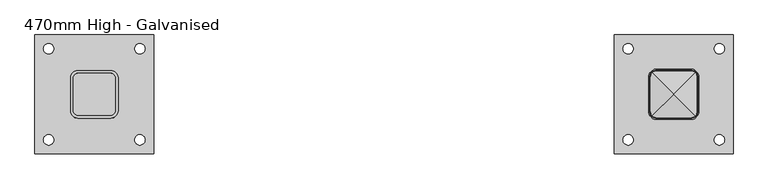
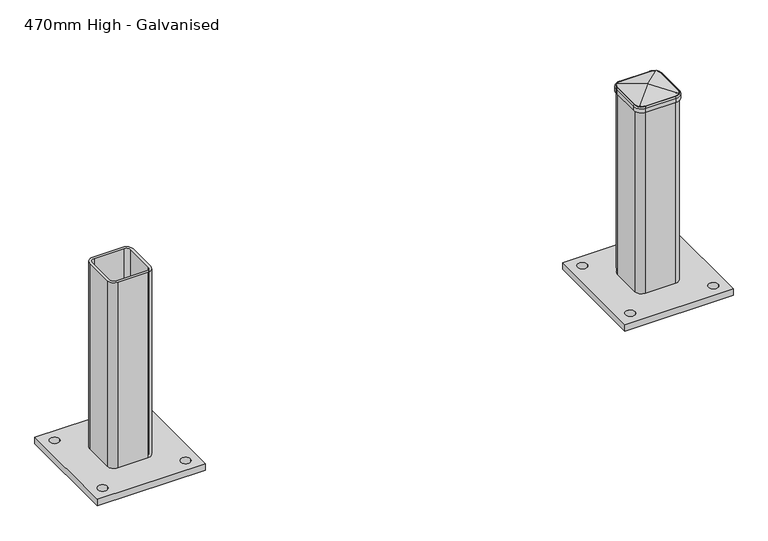
"""IFC4 building model written with IfcOpenShell, lengths in millimetres: proxy geometry, 470mm High - Galvanised."""

from ifc_helpers import new_model, si_unit, point, frame, origin, place, context, project, spatial, polyline, circle_curve, ellipse_curve, trimmed, source, transform, mapped, element, save
from ifc_brep_helpers import plane_surface, cylinder_surface, revolved_surface, advanced_brep


def proxy_470mm_high_galvanised_2e362d54(model_context):
    return source(origin(), model_context, "Body", "AdvancedBrep", [
        advanced_brep(
        [(1345.0, -125.0, 16.0), (1345.0, 125.0, 16.0), (1095.0, 125.0, 16.0), (1095.0, -125.0, 16.0), (1113.0, 96.0, 16.0), (1135.0, 96.0, 16.0), (1305.0, 96.0, 16.0), (1327.0, 96.0, 16.0), (1113.0, -96.0, 16.0), (1135.0, -96.0, 16.0), (1305.0, -96.0, 16.0), (1327.0, -96.0, 16.0), (1270.0, 35.0, 16.0), (1270.0, -35.0, 16.0), (1255.0, -50.0, 16.0), (1185.0, -50.0, 16.0), (1170.0, -35.0, 16.0), (1170.0, 35.0, 16.0), (1185.0, 50.0, 16.0), (1255.0, 50.0, 16.0), (1264.0, 35.0, 16.0), (1255.0, 44.0, 16.0), (1185.0, 44.0, 16.0), (1176.0, 35.0, 16.0), (1176.0, -35.0, 16.0), (1185.0, -44.0, 16.0), (1255.0, -44.0, 16.0), (1264.0, -35.0, 16.0), (1345.0, -125.0, 0.0), (1095.0, -125.0, 0.0), (1095.0, 125.0, 0.0), (1345.0, 125.0, 0.0), (1113.0, 96.0, 0.0), (1135.0, 96.0, 0.0), (1305.0, 96.0, 0.0), (1327.0, 96.0, 0.0), (1113.0, -96.0, 0.0), (1135.0, -96.0, 0.0), (1305.0, -96.0, 0.0), (1327.0, -96.0, 0.0), (1270.0, -35.0, 470.0), (1270.0, 35.0, 470.0), (1255.0, 50.0, 470.0), (1185.0, 50.0, 470.0), (1170.0, 35.0, 470.0), (1170.0, -35.0, 470.0), (1185.0, -50.0, 470.0), (1255.0, -50.0, 470.0), (1255.0, 44.0, 470.0), (1264.0, 35.0, 470.0), (1264.0, -35.0, 470.0), (1255.0, -44.0, 470.0), (1185.0, -44.0, 470.0), (1176.0, -35.0, 470.0), (1176.0, 35.0, 470.0), (1185.0, 44.0, 470.0)],
        [
            (0, 1),
            (1, 2),
            (2, 3),
            (3, 0),
            (4, 5, circle_curve(frame((1124.0, 96.0, 16.0), z_axis=(0.0, 0.0, -1.0), x_axis=(1.0, 0.0, 0.0)), 11.0)),
            (5, 4, circle_curve(frame((1124.0, 96.0, 16.0), z_axis=(0.0, 0.0, -1.0), x_axis=(1.0, 0.0, 0.0)), 11.0)),
            (6, 7, circle_curve(frame((1316.0, 96.0, 16.0), z_axis=(0.0, 0.0, -1.0), x_axis=(1.0, 0.0, 0.0)), 11.0)),
            (7, 6, circle_curve(frame((1316.0, 96.0, 16.0), z_axis=(0.0, 0.0, -1.0), x_axis=(1.0, 0.0, 0.0)), 11.0)),
            (8, 9, circle_curve(frame((1124.0, -96.0, 16.0), z_axis=(0.0, 0.0, -1.0), x_axis=(1.0, 0.0, 0.0)), 11.0)),
            (9, 8, circle_curve(frame((1124.0, -96.0, 16.0), z_axis=(0.0, 0.0, -1.0), x_axis=(1.0, 0.0, 0.0)), 11.0)),
            (10, 11, circle_curve(frame((1316.0, -96.0, 16.0), z_axis=(0.0, 0.0, -1.0), x_axis=(1.0, 0.0, 0.0)), 11.0)),
            (11, 10, circle_curve(frame((1316.0, -96.0, 16.0), z_axis=(0.0, 0.0, -1.0), x_axis=(1.0, 0.0, 0.0)), 11.0)),
            (12, 13),
            (13, 14, circle_curve(frame((1255.0, -35.0, 16.0), z_axis=(0.0, 0.0, -1.0), x_axis=(-1.0, 0.0, 0.0)), 15.0)),
            (14, 15),
            (15, 16, circle_curve(frame((1185.0, -35.0, 16.0), z_axis=(0.0, 0.0, -1.0), x_axis=(-1.0, 0.0, 0.0)), 15.0)),
            (16, 17),
            (17, 18, circle_curve(frame((1185.0, 35.0, 16.0), z_axis=(0.0, 0.0, -1.0), x_axis=(-1.0, 0.0, 0.0)), 15.0)),
            (18, 19),
            (19, 12, circle_curve(frame((1255.0, 35.0, 16.0), z_axis=(0.0, 0.0, -1.0), x_axis=(-1.0, 0.0, 0.0)), 15.0)),
            (20, 21, circle_curve(frame((1255.0, 35.0, 16.0), z_axis=(0.0, 0.0, 1.0), x_axis=(-1.0, 0.0, 0.0)), 9.0)),
            (21, 22),
            (22, 23, circle_curve(frame((1185.0, 35.0, 16.0), z_axis=(0.0, 0.0, 1.0), x_axis=(-1.0, 0.0, 0.0)), 9.0)),
            (23, 24),
            (24, 25, circle_curve(frame((1185.0, -35.0, 16.0), z_axis=(0.0, 0.0, 1.0), x_axis=(-1.0, 0.0, 0.0)), 9.0)),
            (25, 26),
            (26, 27, circle_curve(frame((1255.0, -35.0, 16.0), z_axis=(0.0, 0.0, 1.0), x_axis=(-1.0, 0.0, 0.0)), 9.0)),
            (27, 20),
            (28, 29),
            (29, 30),
            (30, 31),
            (31, 28),
            (32, 33, circle_curve(frame((1124.0, 96.0, 0.0), z_axis=(0.0, 0.0, 1.0), x_axis=(1.0, 0.0, 0.0)), 11.0)),
            (33, 32, circle_curve(frame((1124.0, 96.0, 0.0), z_axis=(0.0, 0.0, 1.0), x_axis=(1.0, 0.0, 0.0)), 11.0)),
            (34, 35, circle_curve(frame((1316.0, 96.0, 0.0), z_axis=(0.0, 0.0, 1.0), x_axis=(1.0, 0.0, 0.0)), 11.0)),
            (35, 34, circle_curve(frame((1316.0, 96.0, 0.0), z_axis=(0.0, 0.0, 1.0), x_axis=(1.0, 0.0, 0.0)), 11.0)),
            (36, 37, circle_curve(frame((1124.0, -96.0, 0.0), z_axis=(0.0, 0.0, 1.0), x_axis=(1.0, 0.0, 0.0)), 11.0)),
            (37, 36, circle_curve(frame((1124.0, -96.0, 0.0), z_axis=(0.0, 0.0, 1.0), x_axis=(1.0, 0.0, 0.0)), 11.0)),
            (38, 39, circle_curve(frame((1316.0, -96.0, 0.0), z_axis=(0.0, 0.0, 1.0), x_axis=(1.0, 0.0, 0.0)), 11.0)),
            (39, 38, circle_curve(frame((1316.0, -96.0, 0.0), z_axis=(0.0, 0.0, 1.0), x_axis=(1.0, 0.0, 0.0)), 11.0)),
            (0, 28),
            (31, 1),
            (30, 2),
            (29, 3),
            (4, 32),
            (33, 5),
            (6, 34),
            (35, 7),
            (8, 36),
            (37, 9),
            (10, 38),
            (39, 11),
            (40, 41),
            (41, 42, circle_curve(frame((1255.0, 35.0, 470.0), z_axis=(0.0, 0.0, 1.0), x_axis=(-1.0, 0.0, 0.0)), 15.0)),
            (42, 43),
            (43, 44, circle_curve(frame((1185.0, 35.0, 470.0), z_axis=(0.0, 0.0, 1.0), x_axis=(-1.0, 0.0, 0.0)), 15.0)),
            (44, 45),
            (45, 46, circle_curve(frame((1185.0, -35.0, 470.0), z_axis=(0.0, 0.0, 1.0), x_axis=(-1.0, 0.0, 0.0)), 15.0)),
            (46, 47),
            (47, 40, circle_curve(frame((1255.0, -35.0, 470.0), z_axis=(0.0, 0.0, 1.0), x_axis=(-1.0, 0.0, 0.0)), 15.0)),
            (48, 49, circle_curve(frame((1255.0, 35.0, 470.0), z_axis=(0.0, 0.0, -1.0), x_axis=(-1.0, 0.0, 0.0)), 9.0)),
            (49, 50),
            (50, 51, circle_curve(frame((1255.0, -35.0, 470.0), z_axis=(0.0, 0.0, -1.0), x_axis=(-1.0, 0.0, 0.0)), 9.0)),
            (51, 52),
            (52, 53, circle_curve(frame((1185.0, -35.0, 470.0), z_axis=(0.0, 0.0, -1.0), x_axis=(-1.0, 0.0, 0.0)), 9.0)),
            (53, 54),
            (54, 55, circle_curve(frame((1185.0, 35.0, 470.0), z_axis=(0.0, 0.0, -1.0), x_axis=(-1.0, 0.0, 0.0)), 9.0)),
            (55, 48),
            (40, 13),
            (12, 41),
            (19, 42),
            (18, 43),
            (17, 44),
            (16, 45),
            (15, 46),
            (14, 47),
            (48, 21),
            (20, 49),
            (27, 50),
            (26, 51),
            (25, 52),
            (24, 53),
            (23, 54),
            (22, 55),
        ],
        [
            plane_surface(frame((1345.0, 314.3329913, 16.0), z_axis=(0.0, 0.0, 1.0), x_axis=(0.0, 1.0, 0.0))),
            plane_surface(frame((1345.0, 314.3329913, 0.0), z_axis=(0.0, 0.0, -1.0), x_axis=(0.0, -1.0, 0.0))),
            plane_surface(frame((1345.0, -125.0, 16.0), z_axis=(1.0, 0.0, 0.0), x_axis=(0.0, 0.0, -1.0))),
            plane_surface(frame((1345.0, 125.0, 16.0), z_axis=(0.0, 1.0, 0.0), x_axis=(0.0, 0.0, -1.0))),
            plane_surface(frame((1095.0, 125.0, 16.0), z_axis=(-1.0, 0.0, 0.0), x_axis=(0.0, 0.0, -1.0))),
            plane_surface(frame((1095.0, -125.0, 16.0), z_axis=(0.0, -1.0, 0.0), x_axis=(0.0, 0.0, -1.0))),
            revolved_surface(polyline([(1135.0, 96.0, 0.0), (1135.0, 96.0, 16.0)]), (1124.0, 96.0, 0.0), (0.0, 0.0, -1.0)),
            revolved_surface(polyline([(1327.0, 96.0, 0.0), (1327.0, 96.0, 16.0)]), (1316.0, 96.0, 0.0), (0.0, 0.0, -1.0)),
            revolved_surface(polyline([(1135.0, -96.0, 0.0), (1135.0, -96.0, 16.0)]), (1124.0, -96.0, 0.0), (0.0, 0.0, -1.0)),
            revolved_surface(polyline([(1327.0, -96.0, 0.0), (1327.0, -96.0, 16.0)]), (1316.0, -96.0, 0.0), (0.0, 0.0, -1.0)),
            plane_surface(frame((1270.0, 314.3329913, 470.0), z_axis=(0.0, 0.0, 1.0), x_axis=(0.0, 1.0, 0.0))),
            plane_surface(frame((1270.0, -35.0, 470.0), z_axis=(1.0, 0.0, 0.0), x_axis=(0.0, 0.0, -1.0))),
            cylinder_surface(frame((1255.0, 35.0, 16.0), z_axis=(0.0, 0.0, 1.0), x_axis=(-1.0, 0.0, 0.0)), 15.0),
            plane_surface(frame((1255.0, 50.0, 470.0), z_axis=(0.0, 1.0, 0.0), x_axis=(0.0, 0.0, -1.0))),
            cylinder_surface(frame((1185.0, 35.0, 16.0), z_axis=(0.0, 0.0, 1.0), x_axis=(-1.0, 0.0, 0.0)), 15.0),
            plane_surface(frame((1170.0, 35.0, 470.0), z_axis=(-1.0, 0.0, 0.0), x_axis=(0.0, 0.0, -1.0))),
            cylinder_surface(frame((1185.0, -35.0, 16.0), z_axis=(0.0, 0.0, 1.0), x_axis=(-1.0, 0.0, 0.0)), 15.0),
            plane_surface(frame((1185.0, -50.0, 470.0), z_axis=(0.0, -1.0, 0.0), x_axis=(0.0, 0.0, -1.0))),
            cylinder_surface(frame((1255.0, -35.0, 16.0), z_axis=(0.0, 0.0, 1.0), x_axis=(-1.0, 0.0, 0.0)), 15.0),
            revolved_surface(polyline([(1246.0, 35.0, 16.0), (1246.0, 35.0, 470.0)]), (1255.0, 35.0, 16.0), (0.0, 0.0, -1.0)),
            plane_surface(frame((1264.0, 35.0, 470.0), z_axis=(-1.0, 0.0, 0.0), x_axis=(0.0, 0.0, -1.0))),
            revolved_surface(polyline([(1246.0, -35.0, 16.0), (1246.0, -35.0, 470.0)]), (1255.0, -35.0, 16.0), (0.0, 0.0, -1.0)),
            plane_surface(frame((1255.0, -44.0, 470.0), z_axis=(0.0, 1.0, 0.0), x_axis=(0.0, 0.0, -1.0))),
            revolved_surface(polyline([(1176.0, -35.0, 16.0), (1176.0, -35.0, 470.0)]), (1185.0, -35.0, 16.0), (0.0, 0.0, -1.0)),
            plane_surface(frame((1176.0, -35.0, 470.0), z_axis=(1.0, 0.0, 0.0), x_axis=(0.0, 0.0, -1.0))),
            revolved_surface(polyline([(1176.0, 35.0, 16.0), (1176.0, 35.0, 470.0)]), (1185.0, 35.0, 16.0), (0.0, 0.0, -1.0)),
            plane_surface(frame((1185.0, 44.0, 470.0), z_axis=(0.0, -1.0, 0.0), x_axis=(0.0, 0.0, -1.0))),
        ],
        [
            (0, [[1, 2, 3, 4], [5, 6], [7, 8], [9, 10], [11, 12], [13, 14, 15, 16, 17, 18, 19, 20]]),
            (0, [[21, 22, 23, 24, 25, 26, 27, 28]]),
            (1, [[29, 30, 31, 32], [33, 34], [35, 36], [37, 38], [39, 40]]),
            (2, [[-1, 41, -32, 42]]),
            (3, [[-2, -42, -31, 43]]),
            (4, [[-3, -43, -30, 44]]),
            (5, [[-4, -44, -29, -41]]),
            (6, [[-5, 45, -34, 46]]),
            (6, [[-6, -46, -33, -45]]),
            (7, [[-7, 47, -36, 48]]),
            (7, [[-8, -48, -35, -47]]),
            (8, [[-9, 49, -38, 50]]),
            (8, [[-10, -50, -37, -49]]),
            (9, [[-11, 51, -40, 52]]),
            (9, [[-12, -52, -39, -51]]),
            (10, [[53, 54, 55, 56, 57, 58, 59, 60], [61, 62, 63, 64, 65, 66, 67, 68]]),
            (11, [[-53, 69, -13, 70]]),
            (12, [[-54, -70, -20, 71]]),
            (13, [[-55, -71, -19, 72]]),
            (14, [[-56, -72, -18, 73]]),
            (15, [[-57, -73, -17, 74]]),
            (16, [[-58, -74, -16, 75]]),
            (17, [[-59, -75, -15, 76]]),
            (18, [[-60, -76, -14, -69]]),
            (19, [[-61, 77, -21, 78]]),
            (20, [[-62, -78, -28, 79]]),
            (21, [[-63, -79, -27, 80]]),
            (22, [[-64, -80, -26, 81]]),
            (23, [[-65, -81, -25, 82]]),
            (24, [[-66, -82, -24, 83]]),
            (25, [[-67, -83, -23, 84]]),
            (26, [[-68, -84, -22, -77]]),
        ],
    ),
        advanced_brep(
        [(125.0, 125.0, 16.0), (-125.0, 125.0, 16.0), (-125.0, -125.0, 16.0), (125.0, -125.0, 16.0), (-107.0, 96.0, 16.0), (-85.0, 96.0, 16.0), (-107.0, -96.0, 16.0), (-85.0, -96.0, 16.0), (85.0, 96.0, 16.0), (107.0, 96.0, 16.0), (85.0, -96.0, 16.0), (107.0, -96.0, 16.0), (-35.0, 50.0, 16.0), (35.0, 50.0, 16.0), (50.0, 35.0, 16.0), (50.0, -35.0, 16.0), (35.0, -50.0, 16.0), (-35.0, -50.0, 16.0), (-50.0, -35.0, 16.0), (-50.0, 35.0, 16.0), (44.0, 35.0, 16.0), (35.0, 44.0, 16.0), (-35.0, 44.0, 16.0), (-44.0, 35.0, 16.0), (-44.0, -35.0, 16.0), (-35.0, -44.0, 16.0), (35.0, -44.0, 16.0), (44.0, -35.0, 16.0), (125.0, 125.0, 0.0), (125.0, -125.0, 0.0), (-125.0, -125.0, 0.0), (-125.0, 125.0, 0.0), (-107.0, 96.0, 0.0), (-85.0, 96.0, 0.0), (-107.0, -96.0, 0.0), (-85.0, -96.0, 0.0), (85.0, 96.0, 0.0), (107.0, 96.0, 0.0), (85.0, -96.0, 0.0), (107.0, -96.0, 0.0), (35.0, 50.0, 470.0), (-35.0, 50.0, 470.0), (-50.0, 35.0, 470.0), (-50.0, -35.0, 470.0), (-35.0, -50.0, 470.0), (35.0, -50.0, 470.0), (50.0, -35.0, 470.0), (50.0, 35.0, 470.0), (35.0, 44.0, 470.0), (44.0, 35.0, 470.0), (44.0, -35.0, 470.0), (35.0, -44.0, 470.0), (-35.0, -44.0, 470.0), (-44.0, -35.0, 470.0), (-44.0, 35.0, 470.0), (-35.0, 44.0, 470.0)],
        [
            (0, 1),
            (1, 2),
            (2, 3),
            (3, 0),
            (4, 5, circle_curve(frame((-96.0, 96.0, 16.0), z_axis=(0.0, 0.0, -1.0), x_axis=(1.0, 0.0, 0.0)), 11.0)),
            (5, 4, circle_curve(frame((-96.0, 96.0, 16.0), z_axis=(0.0, 0.0, -1.0), x_axis=(1.0, 0.0, 0.0)), 11.0)),
            (6, 7, circle_curve(frame((-96.0, -96.0, 16.0), z_axis=(0.0, 0.0, -1.0), x_axis=(1.0, 0.0, 0.0)), 11.0)),
            (7, 6, circle_curve(frame((-96.0, -96.0, 16.0), z_axis=(0.0, 0.0, -1.0), x_axis=(1.0, 0.0, 0.0)), 11.0)),
            (8, 9, circle_curve(frame((96.0, 96.0, 16.0), z_axis=(0.0, 0.0, -1.0), x_axis=(1.0, 0.0, 0.0)), 11.0)),
            (9, 8, circle_curve(frame((96.0, 96.0, 16.0), z_axis=(0.0, 0.0, -1.0), x_axis=(1.0, 0.0, 0.0)), 11.0)),
            (10, 11, circle_curve(frame((96.0, -96.0, 16.0), z_axis=(0.0, 0.0, -1.0), x_axis=(1.0, 0.0, 0.0)), 11.0)),
            (11, 10, circle_curve(frame((96.0, -96.0, 16.0), z_axis=(0.0, 0.0, -1.0), x_axis=(1.0, 0.0, 0.0)), 11.0)),
            (12, 13),
            (13, 14, circle_curve(frame((35.0, 35.0, 16.0), z_axis=(0.0, 0.0, -1.0), x_axis=(-1.0, 0.0, 0.0)), 15.0)),
            (14, 15),
            (15, 16, circle_curve(frame((35.0, -35.0, 16.0), z_axis=(0.0, 0.0, -1.0), x_axis=(-1.0, 0.0, 0.0)), 15.0)),
            (16, 17),
            (17, 18, circle_curve(frame((-35.0, -35.0, 16.0), z_axis=(0.0, 0.0, -1.0), x_axis=(-1.0, 0.0, 0.0)), 15.0)),
            (18, 19),
            (19, 12, circle_curve(frame((-35.0, 35.0, 16.0), z_axis=(0.0, 0.0, -1.0), x_axis=(-1.0, 0.0, 0.0)), 15.0)),
            (20, 21, circle_curve(frame((35.0, 35.0, 16.0), z_axis=(0.0, 0.0, 1.0), x_axis=(-1.0, 0.0, 0.0)), 9.0)),
            (21, 22),
            (22, 23, circle_curve(frame((-35.0, 35.0, 16.0), z_axis=(0.0, 0.0, 1.0), x_axis=(-1.0, 0.0, 0.0)), 9.0)),
            (23, 24),
            (24, 25, circle_curve(frame((-35.0, -35.0, 16.0), z_axis=(0.0, 0.0, 1.0), x_axis=(-1.0, 0.0, 0.0)), 9.0)),
            (25, 26),
            (26, 27, circle_curve(frame((35.0, -35.0, 16.0), z_axis=(0.0, 0.0, 1.0), x_axis=(-1.0, 0.0, 0.0)), 9.0)),
            (27, 20),
            (28, 29),
            (29, 30),
            (30, 31),
            (31, 28),
            (32, 33, circle_curve(frame((-96.0, 96.0, 0.0), z_axis=(0.0, 0.0, 1.0), x_axis=(1.0, 0.0, 0.0)), 11.0)),
            (33, 32, circle_curve(frame((-96.0, 96.0, 0.0), z_axis=(0.0, 0.0, 1.0), x_axis=(1.0, 0.0, 0.0)), 11.0)),
            (34, 35, circle_curve(frame((-96.0, -96.0, 0.0), z_axis=(0.0, 0.0, 1.0), x_axis=(1.0, 0.0, 0.0)), 11.0)),
            (35, 34, circle_curve(frame((-96.0, -96.0, 0.0), z_axis=(0.0, 0.0, 1.0), x_axis=(1.0, 0.0, 0.0)), 11.0)),
            (36, 37, circle_curve(frame((96.0, 96.0, 0.0), z_axis=(0.0, 0.0, 1.0), x_axis=(1.0, 0.0, 0.0)), 11.0)),
            (37, 36, circle_curve(frame((96.0, 96.0, 0.0), z_axis=(0.0, 0.0, 1.0), x_axis=(1.0, 0.0, 0.0)), 11.0)),
            (38, 39, circle_curve(frame((96.0, -96.0, 0.0), z_axis=(0.0, 0.0, 1.0), x_axis=(1.0, 0.0, 0.0)), 11.0)),
            (39, 38, circle_curve(frame((96.0, -96.0, 0.0), z_axis=(0.0, 0.0, 1.0), x_axis=(1.0, 0.0, 0.0)), 11.0)),
            (0, 28),
            (31, 1),
            (30, 2),
            (29, 3),
            (4, 32),
            (33, 5),
            (6, 34),
            (35, 7),
            (8, 36),
            (37, 9),
            (10, 38),
            (39, 11),
            (40, 41),
            (41, 42, circle_curve(frame((-35.0, 35.0, 470.0), z_axis=(0.0, 0.0, 1.0), x_axis=(-1.0, 0.0, 0.0)), 15.0)),
            (42, 43),
            (43, 44, circle_curve(frame((-35.0, -35.0, 470.0), z_axis=(0.0, 0.0, 1.0), x_axis=(-1.0, 0.0, 0.0)), 15.0)),
            (44, 45),
            (45, 46, circle_curve(frame((35.0, -35.0, 470.0), z_axis=(0.0, 0.0, 1.0), x_axis=(-1.0, 0.0, 0.0)), 15.0)),
            (46, 47),
            (47, 40, circle_curve(frame((35.0, 35.0, 470.0), z_axis=(0.0, 0.0, 1.0), x_axis=(-1.0, 0.0, 0.0)), 15.0)),
            (48, 49, circle_curve(frame((35.0, 35.0, 470.0), z_axis=(0.0, 0.0, -1.0), x_axis=(-1.0, 0.0, 0.0)), 9.0)),
            (49, 50),
            (50, 51, circle_curve(frame((35.0, -35.0, 470.0), z_axis=(0.0, 0.0, -1.0), x_axis=(-1.0, 0.0, 0.0)), 9.0)),
            (51, 52),
            (52, 53, circle_curve(frame((-35.0, -35.0, 470.0), z_axis=(0.0, 0.0, -1.0), x_axis=(-1.0, 0.0, 0.0)), 9.0)),
            (53, 54),
            (54, 55, circle_curve(frame((-35.0, 35.0, 470.0), z_axis=(0.0, 0.0, -1.0), x_axis=(-1.0, 0.0, 0.0)), 9.0)),
            (55, 48),
            (40, 13),
            (12, 41),
            (19, 42),
            (18, 43),
            (17, 44),
            (16, 45),
            (15, 46),
            (14, 47),
            (48, 21),
            (20, 49),
            (27, 50),
            (26, 51),
            (25, 52),
            (24, 53),
            (23, 54),
            (22, 55),
        ],
        [
            plane_surface(frame((-312.0572043, 125.0, 16.0), z_axis=(0.0, 0.0, 1.0), x_axis=(-1.0, 0.0, 0.0))),
            plane_surface(frame((-312.0572043, 125.0, 0.0), z_axis=(0.0, 0.0, -1.0), x_axis=(1.0, 0.0, 0.0))),
            plane_surface(frame((125.0, 125.0, 16.0), z_axis=(0.0, 1.0, 0.0), x_axis=(0.0, 0.0, -1.0))),
            plane_surface(frame((-125.0, 125.0, 16.0), z_axis=(-1.0, 0.0, 0.0), x_axis=(0.0, 0.0, -1.0))),
            plane_surface(frame((-125.0, -125.0, 16.0), z_axis=(0.0, -1.0, 0.0), x_axis=(0.0, 0.0, -1.0))),
            plane_surface(frame((125.0, -125.0, 16.0), z_axis=(1.0, 0.0, 0.0), x_axis=(0.0, 0.0, -1.0))),
            revolved_surface(polyline([(-85.0, 96.0, 0.0), (-85.0, 96.0, 16.0)]), (-96.0, 96.0, 0.0), (0.0, 0.0, -1.0)),
            revolved_surface(polyline([(-85.0, -96.0, 0.0), (-85.0, -96.0, 16.0)]), (-96.0, -96.0, 0.0), (0.0, 0.0, -1.0)),
            revolved_surface(polyline([(107.0, 96.0, 0.0), (107.0, 96.0, 16.0)]), (96.0, 96.0, 0.0), (0.0, 0.0, -1.0)),
            revolved_surface(polyline([(107.0, -96.0, 0.0), (107.0, -96.0, 16.0)]), (96.0, -96.0, 0.0), (0.0, 0.0, -1.0)),
            plane_surface(frame((-312.0572043, 50.0, 470.0), z_axis=(0.0, 0.0, 1.0), x_axis=(-1.0, 0.0, 0.0))),
            plane_surface(frame((35.0, 50.0, 470.0), z_axis=(0.0, 1.0, 0.0), x_axis=(0.0, 0.0, -1.0))),
            cylinder_surface(frame((-35.0, 35.0, 16.0), z_axis=(0.0, 0.0, 1.0), x_axis=(-1.0, 0.0, 0.0)), 15.0),
            plane_surface(frame((-50.0, 35.0, 470.0), z_axis=(-1.0, 0.0, 0.0), x_axis=(0.0, 0.0, -1.0))),
            cylinder_surface(frame((-35.0, -35.0, 16.0), z_axis=(0.0, 0.0, 1.0), x_axis=(-1.0, 0.0, 0.0)), 15.0),
            plane_surface(frame((-35.0, -50.0, 470.0), z_axis=(0.0, -1.0, 0.0), x_axis=(0.0, 0.0, -1.0))),
            cylinder_surface(frame((35.0, -35.0, 16.0), z_axis=(0.0, 0.0, 1.0), x_axis=(-1.0, 0.0, 0.0)), 15.0),
            plane_surface(frame((50.0, -35.0, 470.0), z_axis=(1.0, 0.0, 0.0), x_axis=(0.0, 0.0, -1.0))),
            cylinder_surface(frame((35.0, 35.0, 16.0), z_axis=(0.0, 0.0, 1.0), x_axis=(-1.0, 0.0, 0.0)), 15.0),
            revolved_surface(polyline([(26.0, 35.0, 16.0), (26.0, 35.0, 470.0)]), (35.0, 35.0, 16.0), (0.0, 0.0, -1.0)),
            plane_surface(frame((44.0, 35.0, 470.0), z_axis=(-1.0, 0.0, 0.0), x_axis=(0.0, 0.0, -1.0))),
            revolved_surface(polyline([(26.0, -35.0, 16.0), (26.0, -35.0, 470.0)]), (35.0, -35.0, 16.0), (0.0, 0.0, -1.0)),
            plane_surface(frame((35.0, -44.0, 470.0), z_axis=(0.0, 1.0, 0.0), x_axis=(0.0, 0.0, -1.0))),
            revolved_surface(polyline([(-44.0, -35.0, 16.0), (-44.0, -35.0, 470.0)]), (-35.0, -35.0, 16.0), (0.0, 0.0, -1.0)),
            plane_surface(frame((-44.0, -35.0, 470.0), z_axis=(1.0, 0.0, 0.0), x_axis=(0.0, 0.0, -1.0))),
            revolved_surface(polyline([(-44.0, 35.0, 16.0), (-44.0, 35.0, 470.0)]), (-35.0, 35.0, 16.0), (0.0, 0.0, -1.0)),
            plane_surface(frame((-35.0, 44.0, 470.0), z_axis=(0.0, -1.0, 0.0), x_axis=(0.0, 0.0, -1.0))),
        ],
        [
            (0, [[1, 2, 3, 4], [5, 6], [7, 8], [9, 10], [11, 12], [13, 14, 15, 16, 17, 18, 19, 20]]),
            (0, [[21, 22, 23, 24, 25, 26, 27, 28]]),
            (1, [[29, 30, 31, 32], [33, 34], [35, 36], [37, 38], [39, 40]]),
            (2, [[-1, 41, -32, 42]]),
            (3, [[-2, -42, -31, 43]]),
            (4, [[-3, -43, -30, 44]]),
            (5, [[-4, -44, -29, -41]]),
            (6, [[-5, 45, -34, 46]]),
            (6, [[-6, -46, -33, -45]]),
            (7, [[-7, 47, -36, 48]]),
            (7, [[-8, -48, -35, -47]]),
            (8, [[-9, 49, -38, 50]]),
            (8, [[-10, -50, -37, -49]]),
            (9, [[-11, 51, -40, 52]]),
            (9, [[-12, -52, -39, -51]]),
            (10, [[53, 54, 55, 56, 57, 58, 59, 60], [61, 62, 63, 64, 65, 66, 67, 68]]),
            (11, [[-53, 69, -13, 70]]),
            (12, [[-54, -70, -20, 71]]),
            (13, [[-55, -71, -19, 72]]),
            (14, [[-56, -72, -18, 73]]),
            (15, [[-57, -73, -17, 74]]),
            (16, [[-58, -74, -16, 75]]),
            (17, [[-59, -75, -15, 76]]),
            (18, [[-60, -76, -14, -69]]),
            (19, [[-61, 77, -21, 78]]),
            (20, [[-62, -78, -28, 79]]),
            (21, [[-63, -79, -27, 80]]),
            (22, [[-64, -80, -26, 81]]),
            (23, [[-65, -81, -25, 82]]),
            (24, [[-66, -82, -24, 83]]),
            (25, [[-67, -83, -23, 84]]),
            (26, [[-68, -84, -22, -77]]),
        ],
    ),
        advanced_brep(
        [(1255.0, -50.0, 473.0849886), (1270.0, -35.0, 473.0849886), (1270.0, -35.0, 460.0), (1255.0, -50.0, 460.0), (1255.0, -50.771088, 472.899696), (1270.771088, -35.0, 472.899696), (1255.0, -53.0701411, 469.9827329), (1273.0701411, -35.0, 469.9827329), (1255.0, -53.0701411, 460.0), (1273.0701411, -35.0, 460.0), (1185.0, -50.0, 460.0), (1185.0, -50.0, 473.0849886), (1185.0, -50.771088, 472.899696), (1185.0, -53.0701411, 469.9827329), (1185.0, -53.0701411, 460.0), (1170.0, -35.0, 473.0849886), (1170.0, -35.0, 460.0), (1169.228912, -35.0, 472.899696), (1166.9298589, -35.0, 469.9827329), (1166.9298589, -35.0, 460.0), (1170.0, 35.0, 460.0), (1170.0, 35.0, 473.0849886), (1169.228912, 35.0, 472.899696), (1166.9298589, 35.0, 469.9827329), (1166.9298589, 35.0, 460.0), (1185.0, 50.0, 473.0849886), (1185.0, 50.0, 460.0), (1185.0, 50.771088, 472.899696), (1185.0, 53.0701411, 469.9827329), (1185.0, 53.0701411, 460.0), (1255.0, 50.0, 460.0), (1255.0, 50.0, 473.0849886), (1255.0, 50.771088, 472.899696), (1255.0, 53.0701411, 469.9827329), (1255.0, 53.0701411, 460.0), (1270.0, 35.0, 473.0849886), (1270.0, 35.0, 460.0), (1270.771088, 35.0, 472.899696), (1273.0701411, 35.0, 469.9827329), (1273.0701411, 35.0, 460.0)],
        [
            (0, 1, circle_curve(frame((1255.0, -35.0, 473.0849886), z_axis=(0.0, 0.0, 1.0), x_axis=(1.0, 0.0, 0.0)), 15.0)),
            (1, 2),
            (2, 3, circle_curve(frame((1255.0, -35.0, 460.0), z_axis=(0.0, 0.0, -1.0), x_axis=(1.0, 0.0, 0.0)), 15.0)),
            (3, 0),
            (4, 5, circle_curve(frame((1255.0, -35.0, 472.899696), z_axis=(0.0, 0.0, 1.0), x_axis=(1.0, 0.0, 0.0)), 15.771088)),
            (5, 1),
            (0, 4),
            (6, 7, circle_curve(frame((1255.0, -35.0, 469.9827329), z_axis=(0.0, 0.0, 1.0), x_axis=(1.0, 0.0, 0.0)), 18.0701411)),
            (7, 5, circle_curve(frame((1270.0701411, -35.0, 469.9827329), z_axis=(0.0, -1.0, 0.0), x_axis=(-1.0, 0.0, 0.0)), 3.0)),
            (4, 6, circle_curve(frame((1255.0, -50.0701411, 469.9827329), z_axis=(1.0, 0.0, 0.0), x_axis=(0.0, 1.0, 0.0)), 3.0)),
            (8, 9, circle_curve(frame((1255.0, -35.0, 460.0), z_axis=(0.0, 0.0, 1.0), x_axis=(1.0, 0.0, 0.0)), 18.0701411)),
            (9, 7),
            (6, 8),
            (3, 10),
            (10, 11),
            (11, 0),
            (11, 12),
            (12, 4),
            (12, 13, circle_curve(frame((1185.0, -50.0701411, 469.9827329), z_axis=(1.0, 0.0, 0.0), x_axis=(0.0, 1.0, 0.0)), 3.0)),
            (13, 6),
            (13, 14),
            (14, 8),
            (15, 11, circle_curve(frame((1185.0, -35.0, 473.0849886), z_axis=(0.0, 0.0, 1.0), x_axis=(0.0, -1.0, 0.0)), 15.0)),
            (10, 16, circle_curve(frame((1185.0, -35.0, 460.0), z_axis=(0.0, 0.0, -1.0), x_axis=(0.0, -1.0, 0.0)), 15.0)),
            (16, 15),
            (17, 12, circle_curve(frame((1185.0, -35.0, 472.899696), z_axis=(0.0, 0.0, 1.0), x_axis=(0.0, -1.0, 0.0)), 15.771088)),
            (15, 17),
            (18, 13, circle_curve(frame((1185.0, -35.0, 469.9827329), z_axis=(0.0, 0.0, 1.0), x_axis=(0.0, -1.0, 0.0)), 18.0701411)),
            (17, 18, circle_curve(frame((1169.9298589, -35.0, 469.9827329), z_axis=(0.0, -1.0, 0.0), x_axis=(1.0, 0.0, 0.0)), 3.0)),
            (19, 14, circle_curve(frame((1185.0, -35.0, 460.0), z_axis=(0.0, 0.0, 1.0), x_axis=(0.0, -1.0, 0.0)), 18.0701411)),
            (18, 19),
            (16, 20),
            (20, 21),
            (21, 15),
            (21, 22),
            (22, 17),
            (22, 23, circle_curve(frame((1169.9298589, 35.0, 469.9827329), z_axis=(0.0, -1.0, 0.0), x_axis=(1.0, 0.0, 0.0)), 3.0)),
            (23, 18),
            (23, 24),
            (24, 19),
            (25, 21, circle_curve(frame((1185.0, 35.0, 473.0849886), z_axis=(0.0, 0.0, 1.0), x_axis=(-1.0, 0.0, 0.0)), 15.0)),
            (20, 26, circle_curve(frame((1185.0, 35.0, 460.0), z_axis=(0.0, 0.0, -1.0), x_axis=(-1.0, 0.0, 0.0)), 15.0)),
            (26, 25),
            (27, 22, circle_curve(frame((1185.0, 35.0, 472.899696), z_axis=(0.0, 0.0, 1.0), x_axis=(-1.0, 0.0, 0.0)), 15.771088)),
            (25, 27),
            (28, 23, circle_curve(frame((1185.0, 35.0, 469.9827329), z_axis=(0.0, 0.0, 1.0), x_axis=(-1.0, 0.0, 0.0)), 18.0701411)),
            (27, 28, circle_curve(frame((1185.0, 50.0701411, 469.9827329), z_axis=(-1.0, 0.0, 0.0), x_axis=(0.0, -1.0, 0.0)), 3.0)),
            (29, 24, circle_curve(frame((1185.0, 35.0, 460.0), z_axis=(0.0, 0.0, 1.0), x_axis=(-1.0, 0.0, 0.0)), 18.0701411)),
            (28, 29),
            (26, 30),
            (30, 31),
            (31, 25),
            (31, 32),
            (32, 27),
            (32, 33, circle_curve(frame((1255.0, 50.0701411, 469.9827329), z_axis=(-1.0, 0.0, 0.0), x_axis=(0.0, -1.0, 0.0)), 3.0)),
            (33, 28),
            (33, 34),
            (34, 29),
            (35, 31, circle_curve(frame((1255.0, 35.0, 473.0849886), z_axis=(0.0, 0.0, 1.0), x_axis=(0.0, 1.0, 0.0)), 15.0)),
            (30, 36, circle_curve(frame((1255.0, 35.0, 460.0), z_axis=(0.0, 0.0, -1.0), x_axis=(0.0, 1.0, 0.0)), 15.0)),
            (36, 35),
            (37, 32, circle_curve(frame((1255.0, 35.0, 472.899696), z_axis=(0.0, 0.0, 1.0), x_axis=(0.0, 1.0, 0.0)), 15.771088)),
            (35, 37),
            (38, 33, circle_curve(frame((1255.0, 35.0, 469.9827329), z_axis=(0.0, 0.0, 1.0), x_axis=(0.0, 1.0, 0.0)), 18.0701411)),
            (37, 38, circle_curve(frame((1270.0701411, 35.0, 469.9827329), z_axis=(0.0, 1.0, 0.0), x_axis=(-1.0, 0.0, 0.0)), 3.0)),
            (39, 34, circle_curve(frame((1255.0, 35.0, 460.0), z_axis=(0.0, 0.0, 1.0), x_axis=(0.0, 1.0, 0.0)), 18.0701411)),
            (38, 39),
            (39, 9),
            (2, 36),
            (1, 35),
            (5, 37),
            (7, 38),
        ],
        [
            revolved_surface(polyline([(1270.0, -35.0, 460.0), (1270.0, -35.0, 473.0849886)]), (1255.0, -35.0, 470.0), (0.0, 0.0, -1.0)),
            revolved_surface(polyline([(1270.0, -35.0, 473.0849886), (1270.771088, -35.0, 472.899696)]), (1255.0, -35.0, 470.0), (0.0, 0.0, -1.0)),
            revolved_surface(trimmed(ellipse_curve(frame((1270.0701411, -35.0, 469.9827329), z_axis=(0.0, 1.0, 0.0), x_axis=(-1.0, 0.0, 0.0)), 3.0, 3.0), [point((1270.771088, -35.0, 472.899696))], [point((1273.0701411, -35.0, 469.9827329))], True, "CARTESIAN"), (1255.0, -35.0, 470.0), (0.0, 0.0, -1.0)),
            cylinder_surface(frame((1255.0, -35.0, 470.0), z_axis=(0.0, 0.0, -1.0), x_axis=(1.0, 0.0, 0.0)), 18.0701411),
            plane_surface(frame((1255.0, -50.0, 460.0), z_axis=(0.0, 1.0, 0.0), x_axis=(-1.0, 0.0, 0.0))),
            plane_surface(frame((1255.0, -50.0, 473.0849886), z_axis=(0.0, -0.23364896259536563, 0.9723210181201009), x_axis=(-1.0, 0.0, 0.0))),
            cylinder_surface(frame((1255.0, -50.0701411, 469.9827329), z_axis=(1.0, 0.0, 0.0), x_axis=(0.0, 1.0, 0.0)), 3.0),
            plane_surface(frame((1255.0, -53.0701411, 469.9827329), z_axis=(0.0, -1.0, 0.0), x_axis=(-1.0, 0.0, 0.0))),
            revolved_surface(polyline([(1185.0, -50.0, 460.0), (1185.0, -50.0, 473.0849886)]), (1185.0, -35.0, 470.0), (0.0, 0.0, -1.0)),
            revolved_surface(polyline([(1185.0, -50.0, 473.0849886), (1185.0, -50.771088, 472.899696)]), (1185.0, -35.0, 470.0), (0.0, 0.0, -1.0)),
            revolved_surface(trimmed(ellipse_curve(frame((1185.0, -50.0701411, 469.9827329), z_axis=(1.0, 0.0, 0.0), x_axis=(0.0, 1.0, 0.0)), 3.0, 3.0), [point((1185.0, -50.771088, 472.899696))], [point((1185.0, -53.0701411, 469.9827329))], True, "CARTESIAN"), (1185.0, -35.0, 470.0), (0.0, 0.0, -1.0)),
            cylinder_surface(frame((1185.0, -35.0, 470.0), z_axis=(0.0, 0.0, -1.0), x_axis=(0.0, -1.0, 0.0)), 18.0701411),
            plane_surface(frame((1170.0, -35.0, 460.0), z_axis=(1.0, 0.0, 0.0), x_axis=(0.0, 1.0, 0.0))),
            plane_surface(frame((1170.0, -35.0, 473.0849886), z_axis=(-0.23364896259536252, 0.0, 0.9723210181201016), x_axis=(0.0, 1.0, 0.0))),
            cylinder_surface(frame((1169.9298589, -35.0, 469.9827329), z_axis=(0.0, -1.0, 0.0), x_axis=(1.0, 0.0, 0.0)), 3.0),
            plane_surface(frame((1166.9298589, -35.0, 469.9827329), z_axis=(-1.0, 0.0, 0.0), x_axis=(0.0, 1.0, 0.0))),
            revolved_surface(polyline([(1170.0, 35.0, 460.0), (1170.0, 35.0, 473.0849886)]), (1185.0, 35.0, 470.0), (0.0, 0.0, -1.0)),
            revolved_surface(polyline([(1170.0, 35.0, 473.0849886), (1169.228912, 35.0, 472.899696)]), (1185.0, 35.0, 470.0), (0.0, 0.0, -1.0)),
            revolved_surface(trimmed(ellipse_curve(frame((1169.9298589, 35.0, 469.9827329), z_axis=(0.0, -1.0, 0.0), x_axis=(1.0, 0.0, 0.0)), 3.0, 3.0), [point((1169.228912, 35.0, 472.899696))], [point((1166.9298589, 35.0, 469.9827329))], True, "CARTESIAN"), (1185.0, 35.0, 470.0), (0.0, 0.0, -1.0)),
            cylinder_surface(frame((1185.0, 35.0, 470.0), z_axis=(0.0, 0.0, -1.0), x_axis=(-1.0, 0.0, 0.0)), 18.0701411),
            plane_surface(frame((1185.0, 50.0, 460.0), z_axis=(0.0, -1.0, 0.0), x_axis=(1.0, 0.0, 0.0))),
            plane_surface(frame((1185.0, 50.0, 473.0849886), z_axis=(0.0, 0.23364896259536563, 0.9723210181201009), x_axis=(1.0, 0.0, 0.0))),
            cylinder_surface(frame((1185.0, 50.0701411, 469.9827329), z_axis=(-1.0, 0.0, 0.0), x_axis=(0.0, -1.0, 0.0)), 3.0),
            plane_surface(frame((1185.0, 53.0701411, 469.9827329), z_axis=(0.0, 1.0, 0.0), x_axis=(1.0, 0.0, 0.0))),
            revolved_surface(polyline([(1255.0, 50.0, 460.0), (1255.0, 50.0, 473.0849886)]), (1255.0, 35.0, 470.0), (0.0, 0.0, -1.0)),
            revolved_surface(polyline([(1255.0, 50.0, 473.0849886), (1255.0, 50.771088, 472.899696)]), (1255.0, 35.0, 470.0), (0.0, 0.0, -1.0)),
            revolved_surface(trimmed(ellipse_curve(frame((1255.0, 50.0701411, 469.9827329), z_axis=(-1.0, 0.0, 0.0), x_axis=(0.0, -1.0, 0.0)), 3.0, 3.0), [point((1255.0, 50.771088, 472.899696))], [point((1255.0, 53.0701411, 469.9827329))], True, "CARTESIAN"), (1255.0, 35.0, 470.0), (0.0, 0.0, -1.0)),
            cylinder_surface(frame((1255.0, 35.0, 470.0), z_axis=(0.0, 0.0, -1.0), x_axis=(0.0, 1.0, 0.0)), 18.0701411),
            plane_surface(frame((1273.0701411, 35.0, 460.0), z_axis=(0.0, 0.0, -1.0), x_axis=(0.0, -1.0, 0.0))),
            plane_surface(frame((1270.0, 35.0, 460.0), z_axis=(-1.0, 0.0, 0.0), x_axis=(0.0, -1.0, 0.0))),
            plane_surface(frame((1270.0, 35.0, 473.0849886), z_axis=(0.23364896259536874, 0.0, 0.9723210181201001), x_axis=(0.0, -1.0, 0.0))),
            cylinder_surface(frame((1270.0701411, 35.0, 469.9827329), z_axis=(0.0, 1.0, 0.0), x_axis=(-1.0, 0.0, 0.0)), 3.0),
            plane_surface(frame((1273.0701411, 35.0, 469.9827329), z_axis=(1.0, 0.0, 0.0), x_axis=(0.0, -1.0, 0.0))),
        ],
        [
            (0, [[1, 2, 3, 4]]),
            (1, [[5, 6, -1, 7]]),
            (2, [[8, 9, -5, 10]]),
            (3, [[11, 12, -8, 13]]),
            (4, [[-4, 14, 15, 16]]),
            (5, [[-7, -16, 17, 18]]),
            (6, [[-10, -18, 19, 20]]),
            (7, [[-13, -20, 21, 22]]),
            (8, [[23, -15, 24, 25]]),
            (9, [[26, -17, -23, 27]]),
            (10, [[28, -19, -26, 29]]),
            (11, [[30, -21, -28, 31]]),
            (12, [[-25, 32, 33, 34]]),
            (13, [[-27, -34, 35, 36]]),
            (14, [[-29, -36, 37, 38]]),
            (15, [[-31, -38, 39, 40]]),
            (16, [[41, -33, 42, 43]]),
            (17, [[44, -35, -41, 45]]),
            (18, [[46, -37, -44, 47]]),
            (19, [[48, -39, -46, 49]]),
            (20, [[-43, 50, 51, 52]]),
            (21, [[-45, -52, 53, 54]]),
            (22, [[-47, -54, 55, 56]]),
            (23, [[-49, -56, 57, 58]]),
            (24, [[59, -51, 60, 61]]),
            (25, [[62, -53, -59, 63]]),
            (26, [[64, -55, -62, 65]]),
            (27, [[66, -57, -64, 67]]),
            (28, [[-58, -66, 68, -11, -22, -30, -40, -48], [69, -60, -50, -42, -32, -24, -14, -3]]),
            (29, [[-61, -69, -2, 70]]),
            (30, [[-63, -70, -6, 71]]),
            (31, [[-65, -71, -9, 72]]),
            (32, [[-67, -72, -12, -68]]),
        ],
    ),
        advanced_brep(
        [(1255.0, 50.0, 470.0), (1270.0, 35.0, 470.0), (1270.0, -35.0, 470.0), (1255.0, -50.0, 470.0), (1185.0, -50.0, 470.0), (1170.0, -35.0, 470.0), (1170.0, 35.0, 470.0), (1185.0, 50.0, 470.0), (1185.0, 50.0, 473.0271175), (1255.0, 50.0, 473.0271175), (1170.0, 35.0, 473.0767498), (1174.2998764, 45.5122478, 474.1107196), (1170.0, -35.0, 473.0767498), (1185.0, -50.0, 473.001729), (1174.2525077, -45.4638143, 474.0993291), (1255.0, -50.0, 473.001729), (1270.0, -35.0, 473.0849886), (1265.7629015, -45.4479639, 474.1031643), (1270.0, 35.0, 473.0849886), (1265.7156042, 45.4964674, 474.1145299), (1220.0, 0.0, 485.1)],
        [
            (0, 1, circle_curve(frame((1255.0, 35.0, 470.0), z_axis=(0.0, 0.0, -1.0), x_axis=(-1.0, 0.0, 0.0)), 15.0)),
            (1, 2),
            (2, 3, circle_curve(frame((1255.0, -35.0, 470.0), z_axis=(0.0, 0.0, -1.0), x_axis=(-1.0, 0.0, 0.0)), 15.0)),
            (3, 4),
            (4, 5, circle_curve(frame((1185.0, -35.0, 470.0), z_axis=(0.0, 0.0, -1.0), x_axis=(-1.0, 0.0, 0.0)), 15.0)),
            (5, 6),
            (6, 7, circle_curve(frame((1185.0, 35.0, 470.0), z_axis=(0.0, 0.0, -1.0), x_axis=(-1.0, 0.0, 0.0)), 15.0)),
            (7, 0),
            (7, 8),
            (8, 9),
            (9, 0),
            (6, 10),
            (10, 11, ellipse_curve(frame((1185.0, 35.0, 476.6837248), z_axis=(0.23380042293520142, 0.0, -0.9722846096875755), x_axis=(0.9722846096875754, 0.0, 0.23380042293520162)), 15.4275814, 15.0)),
            (11, 8, ellipse_curve(frame((1185.0, 35.0, 476.6489822), z_axis=(0.0, -0.23471249169752223, -0.9720648364389799), x_axis=(0.0, -0.9720648364389799, 0.23471249169752154)), 15.4310694, 15.0)),
            (5, 12),
            (12, 10),
            (4, 13),
            (13, 14, ellipse_curve(frame((1185.0, -35.0, 476.6312103), z_axis=(0.0, 0.23517880390622156, -0.9719521234059006), x_axis=(0.0, 0.9719521234059006, 0.23517880390622095)), 15.4328589, 15.0)),
            (14, 12, ellipse_curve(frame((1185.0, -35.0, 476.6837248), z_axis=(0.23380042293520142, 0.0, -0.9722846096875755), x_axis=(0.9722846096875754, 0.0, 0.23380042293520162)), 15.4275814, 15.0)),
            (3, 15),
            (15, 13),
            (2, 16),
            (16, 17, ellipse_curve(frame((1255.0, -35.0, 476.689492), z_axis=(-0.23364896259631, 0.0, -0.9723210181198739), x_axis=(-0.9723210181198739, 0.0, 0.2336489625963094)), 15.4270038, 15.0)),
            (17, 15, ellipse_curve(frame((1255.0, -35.0, 476.6312103), z_axis=(0.0, 0.23517880390622156, -0.9719521234059006), x_axis=(0.0, 0.9719521234059006, 0.23517880390622095)), 15.4328589, 15.0)),
            (1, 18),
            (18, 16),
            (9, 19, ellipse_curve(frame((1255.0, 35.0, 476.6489822), z_axis=(0.0, -0.23471249169752223, -0.9720648364389799), x_axis=(0.0, -0.9720648364389799, 0.23471249169752154)), 15.4310694, 15.0)),
            (19, 18, ellipse_curve(frame((1255.0, 35.0, 476.689492), z_axis=(-0.23364896259631, 0.0, -0.9723210181198739), x_axis=(-0.9723210181198739, 0.0, 0.2336489625963094)), 15.4270038, 15.0)),
            (19, 20),
            (20, 17),
            (14, 20),
            (20, 11),
        ],
        [
            plane_surface(frame((1185.0, 50.0, 470.0), z_axis=(0.0, 0.0, -1.0), x_axis=(1.0, 0.0, 0.0))),
            plane_surface(frame((1255.0, 50.0, 485.1), z_axis=(0.0, 1.0, 0.0), x_axis=(0.0, 0.0, -1.0))),
            cylinder_surface(frame((1185.0, 35.0, 470.0), z_axis=(0.0, 0.0, 1.0), x_axis=(-1.0, 0.0, 0.0)), 15.0),
            plane_surface(frame((1170.0, 35.0, 485.1), z_axis=(-1.0, 0.0, 0.0), x_axis=(0.0, 0.0, -1.0))),
            cylinder_surface(frame((1185.0, -35.0, 470.0), z_axis=(0.0, 0.0, 1.0), x_axis=(-1.0, 0.0, 0.0)), 15.0),
            plane_surface(frame((1185.0, -50.0, 485.1), z_axis=(0.0, -1.0, 0.0), x_axis=(0.0, 0.0, -1.0))),
            cylinder_surface(frame((1255.0, -35.0, 470.0), z_axis=(0.0, 0.0, 1.0), x_axis=(-1.0, 0.0, 0.0)), 15.0),
            plane_surface(frame((1270.0, -35.0, 485.1), z_axis=(1.0, 0.0, 0.0), x_axis=(0.0, 0.0, -1.0))),
            cylinder_surface(frame((1255.0, 35.0, 470.0), z_axis=(0.0, 0.0, 1.0), x_axis=(-1.0, 0.0, 0.0)), 15.0),
            plane_surface(frame((1220.0, -50.0, 485.1), z_axis=(0.23364896259631, 0.0, 0.9723210181198739), x_axis=(0.0, 1.0, 0.0))),
            plane_surface(frame((1166.9642285, -50.0, 472.346753), z_axis=(-0.23380042293520142, 0.0, 0.9722846096875755), x_axis=(0.0, 1.0, 0.0))),
            plane_surface(frame((1170.0, 53.0701411, 472.2858084), z_axis=(0.0, 0.23471249169752223, 0.9720648364389799), x_axis=(1.0, 0.0, 0.0))),
            plane_surface(frame((1170.0, 0.0, 485.1), z_axis=(0.0, -0.23517880390622156, 0.9719521234059006), x_axis=(1.0, 0.0, 0.0))),
        ],
        [
            (0, [[1, 2, 3, 4, 5, 6, 7, 8]]),
            (1, [[-8, 9, 10, 11]]),
            (2, [[-7, 12, 13, 14, -9]]),
            (3, [[-6, 15, 16, -12]]),
            (4, [[-5, 17, 18, 19, -15]]),
            (5, [[-4, 20, 21, -17]]),
            (6, [[-3, 22, 23, 24, -20]]),
            (7, [[-2, 25, 26, -22]]),
            (8, [[-1, -11, 27, 28, -25]]),
            (9, [[-26, -28, 29, 30, -23]]),
            (10, [[-16, -19, 31, 32, -13]]),
            (11, [[-10, -14, -32, -29, -27]]),
            (12, [[-18, -21, -24, -30, -31]]),
        ],
    ),
    ])


if __name__ == "__main__":
    model = new_model("IFC4")
    model_context = context("Model", 3, world=origin())
    ifc_project = project(units=[si_unit("LENGTHUNIT", "METRE", prefix="MILLI")], contexts=[model_context])
    site = spatial("IfcSite", under=ifc_project)
    building = spatial("IfcBuilding", under=site)
    placement = place(None, origin())
    proxy_470mm_high_galvanised_shape = proxy_470mm_high_galvanised_2e362d54(model_context)
    element("IfcBuildingElementProxy", 1, Name="470mm High - Galvanised", ObjectType="470mm High - Galvanised", at=placement, inside=building, context=model_context, shape_type="MappedRepresentation", body=[
        mapped(proxy_470mm_high_galvanised_shape, transform((0.0, 0.0, 0.0), x_axis=(1.0, 0.0, 0.0), y_axis=(0.0, 1.0, 0.0), z_axis=(0.0, 0.0, 1.0))),
    ])
    save(model, "model.ifc")
